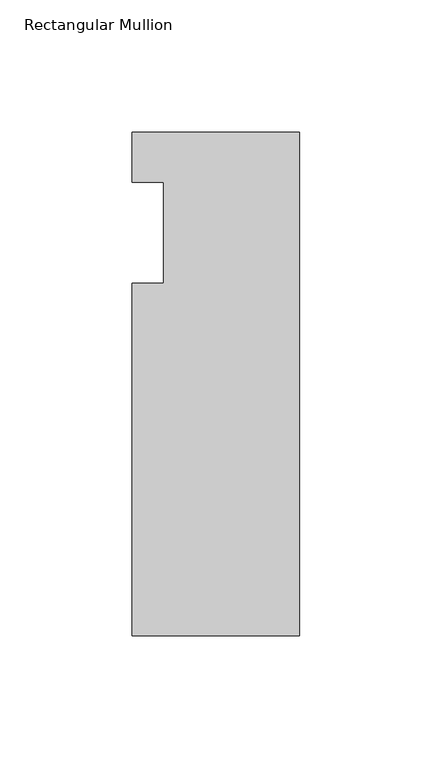
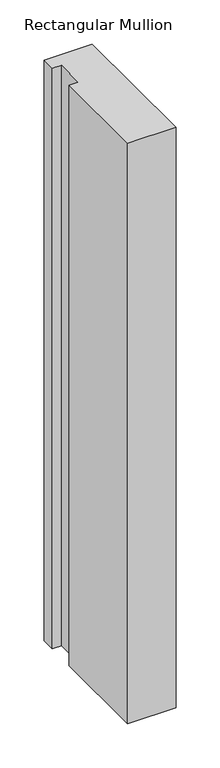
"""IFC4 building model written with IfcOpenShell, lengths in millimetres: member geometry, Rectangular Mullion."""

from ifc_helpers import new_model, si_unit, frame, origin, place, context, project, spatial, polyline, outline, extrude, source, transform, mapped, element, save


def rectangular_mullion_09f83c38(model_context):
    return source(origin(), model_context, "Body", "SweptSolid", [
        extrude(outline(polyline([(-63.5, -152.4), (-63.5, -19.0495158), (-51.5874, -19.0495158), (-51.5874, 19.0504842), (-63.5, 19.0504842), (-63.5, 38.1), (0.0, 38.1), (0.0, -152.4), (-63.5, -152.4)])), frame((0.0, 0.0, -804.8713402), z_axis=(0.0, 0.0, 1.0), x_axis=(1.0, 0.0, 0.0)), (0.0, 0.0, 1.0), 804.8713402),
    ])


if __name__ == "__main__":
    model = new_model("IFC4")
    model_context = context("Model", 3, world=origin())
    ifc_project = project(units=[si_unit("LENGTHUNIT", "METRE", prefix="MILLI")], contexts=[model_context])
    site = spatial("IfcSite", under=ifc_project)
    building = spatial("IfcBuilding", under=site)
    placement = place(None, origin())
    rectangular_mullion_shape = rectangular_mullion_09f83c38(model_context)
    element("IfcMember", 1, ObjectType="Rectangular Mullion", at=placement, inside=building, context=model_context, shape_type="MappedRepresentation", body=[
        mapped(rectangular_mullion_shape, transform((0.0, 0.0, 0.0), x_axis=(1.0, 0.0, 0.0), y_axis=(0.0, 1.0, 0.0), z_axis=(0.0, 0.0, 1.0))),
    ])
    save(model, "model.ifc")
